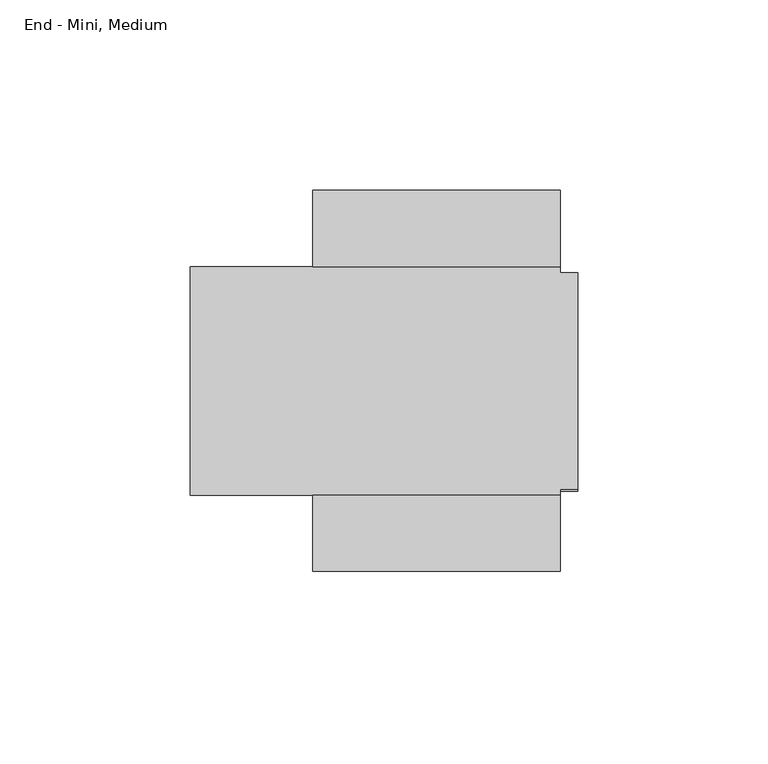
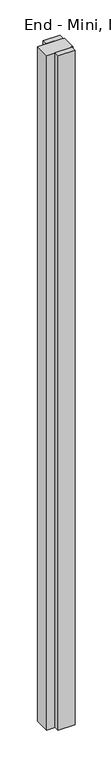
"""IFC4 building model written with IfcOpenShell, lengths in millimetres: furniture geometry, End - Mini, Medium."""

from ifc_helpers import new_model, si_unit, origin, origin_with_axes, place, context, project, spatial, polyline, outline, extrude, faceted_brep, source, transform, mapped, element, save


def end_mini_medium_f2ef3ebc(model_context):
    return source(origin(), model_context, "Body", "SolidModel", [
        extrude(outline(polyline([(-69.4944, -2236.0001), (-4.4958, -2236.0001), (-4.4958, -2255.9899), (-69.4944, -2255.9899), (-69.4944, -2236.0001)])), origin_with_axes(), (0.0, 0.0, 1.0), 2743.2),
        extrude(outline(polyline([(-4.4958, -2335.9999), (-69.4944, -2335.9999), (-69.4944, -2316.0101), (-4.4958, -2316.0101), (-4.4958, -2335.9999)])), origin_with_axes(), (0.0, 0.0, 1.0), 2743.2),
        faceted_brep([(-4.4958, -2255.9899, 2743.2), (-101.6, -2255.9899, 2743.2), (-101.6, -2316.0101, 2743.2), (-4.4958, -2316.0101, 2743.2), (-4.4958, -2314.448, 2743.2), (0.0, -2314.448, 2743.2), (0.0, -2257.552, 2743.2), (-4.4958, -2257.552, 2743.2), (-4.4958, -2316.0101, 0.0), (-101.6, -2316.0101, 0.0), (-101.6, -2255.9899, 0.0), (-4.4958, -2255.9899, 0.0), (-4.4958, -2257.552, 0.0), (0.0, -2257.552, 0.0), (0.0, -2314.448, 0.0), (-4.4958, -2314.448, 0.0), (-4.4958, -2257.552, 2688.082), (-4.4958, -2260.854, 2688.082), (-4.4958, -2260.854, 55.118), (-4.4958, -2257.552, 55.118), (-4.4958, -2314.448, 55.118), (-4.4958, -2311.146, 55.118), (-4.4958, -2311.146, 2688.082), (-4.4958, -2314.448, 2688.082), (0.0, -2260.854, 55.118), (0.0, -2260.854, 2688.082), (0.0, -2257.552, 2688.082), (0.0, -2314.448, 2688.082), (0.0, -2311.146, 2688.082), (0.0, -2311.146, 55.118), (0.0, -2314.448, 55.118), (0.0, -2257.552, 55.118)], [[[0, 1, 2, 3, 4, 5, 6, 7]], [[8, 9, 10, 11, 12, 13, 14, 15]], [[1, 0, 11, 10]], [[2, 1, 10, 9]], [[3, 2, 9, 8]], [[11, 0, 7, 16, 17, 18, 19, 12]], [[3, 8, 15, 20, 21, 22, 23, 4]], [[24, 25, 26, 6, 5, 27, 28, 29, 30, 14, 13, 31]], [[25, 24, 18, 17]], [[26, 25, 17, 16]], [[6, 26, 16, 7]], [[27, 5, 4, 23]], [[28, 27, 23, 22]], [[29, 28, 22, 21]], [[30, 29, 21, 20]], [[14, 30, 20, 15]], [[31, 13, 12, 19]], [[24, 31, 19, 18]]]),
    ])


if __name__ == "__main__":
    model = new_model("IFC4")
    model_context = context("Model", 3, world=origin())
    ifc_project = project(units=[si_unit("LENGTHUNIT", "METRE", prefix="MILLI")], contexts=[model_context])
    site = spatial("IfcSite", under=ifc_project)
    building = spatial("IfcBuilding", under=site)
    placement = place(None, origin())
    end_mini_medium_shape = end_mini_medium_f2ef3ebc(model_context)
    element("IfcFurniture", 1, ObjectType="End - Mini, Medium", at=placement, inside=building, context=model_context, shape_type="MappedRepresentation", body=[
        mapped(end_mini_medium_shape, transform((0.0, 0.0, 0.0), x_axis=(1.0, 0.0, 0.0), y_axis=(0.0, 1.0, 0.0), z_axis=(0.0, 0.0, 1.0))),
    ])
    save(model, "model.ifc")
